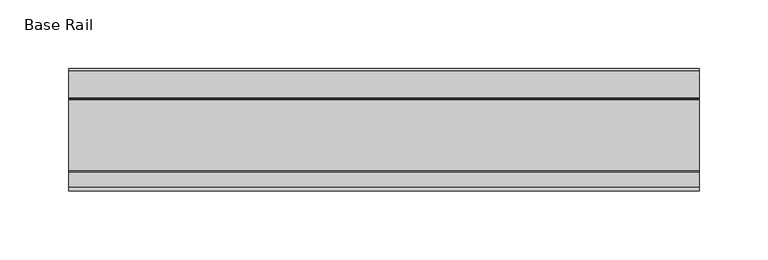
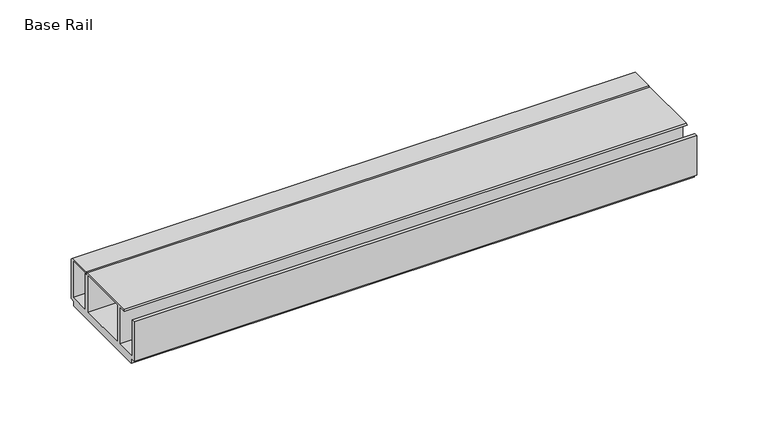
"""IFC4 building model written with IfcOpenShell, lengths in millimetres: furniture geometry, Base Rail."""

import ifcopenshell
import ifcopenshell.guid

model = None  # the IFC model being written
_history = None  # IfcOwnerHistory: only IFC2X3 demands one
_inside = {}  # id of a spatial element -> (the spatial element, [elements in it])
_under = {}  # id of a project, library or spatial element -> (it, [spatial elements below it])
_declared = {}  # id of a project -> (the project, [libraries it declares])
_typed = {}  # id of a type object -> (the type object, [elements of that type])
_made_of = {}  # id of a material, layer set ... -> (it, [elements and type objects made of it])


def new_model(schema):
    """Start an empty IFC model of exactly this schema.

    Asked for "IFC4X3", IfcOpenShell would pick the latest addendum, in which some entities
    have other attributes; the version numbers below select the first issue.
    IFC2X3 requires an IfcOwnerHistory on every rooted entity: one is made here for all.
    """
    global model, _history
    if schema == "IFC4X3":
        model = ifcopenshell.file(schema_version=(4, 3, 0, 0))
    else:
        model = ifcopenshell.file(schema=schema)
    _inside.clear()
    _under.clear()
    _declared.clear()
    _typed.clear()
    _made_of.clear()
    _history = None
    if model.schema == "IFC2X3":
        org = make("IfcOrganization", Name="unknown")
        user = make(
            "IfcPersonAndOrganization",
            ThePerson=make("IfcPerson", FamilyName="unknown"),
            TheOrganization=org,
        )
        app = make(
            "IfcApplication",
            ApplicationDeveloper=org,
            Version="unknown",
            ApplicationFullName="unknown",
            ApplicationIdentifier="unknown",
        )
        _history = make(
            "IfcOwnerHistory",
            OwningUser=user,
            OwningApplication=app,
            ChangeAction="ADDED",
            CreationDate=0,
        )
    return model


def make(cls, **values):
    """One entity of the class cls with the attributes given. An attribute that is None is left unset."""
    return model.create_entity(
        cls, **{name: value for name, value in values.items() if value is not None}
    )


def rooted(cls, **values):
    """An entity with a GlobalId (a new one), such as an element, a storey or a relation."""
    return make(cls, GlobalId=ifcopenshell.guid.new(), OwnerHistory=_history, **values)


def si_unit(unit_type, name, prefix=None):
    """IfcSIUnit, for example si_unit("LENGTHUNIT", "METRE", prefix="MILLI")."""
    return make("IfcSIUnit", UnitType=unit_type, Prefix=prefix, Name=name)


def assignment(units):
    """IfcUnitAssignment: the units of a project."""
    return None if units is None else make("IfcUnitAssignment", Units=units)


def point(xyz):
    """IfcCartesianPoint."""
    return None if xyz is None else make("IfcCartesianPoint", Coordinates=xyz)


def direction(xyz):
    """IfcDirection."""
    return None if xyz is None else make("IfcDirection", DirectionRatios=xyz)


def frame(location, z_axis=None, x_axis=None):
    """IfcAxis2Placement3D, a coordinate frame: its origin and axes. An axis left out is left unset."""
    return make(
        "IfcAxis2Placement3D",
        Location=point(location),
        Axis=direction(z_axis),
        RefDirection=direction(x_axis),
    )


def origin():
    """The frame at (0, 0, 0) with its axes left unset."""
    return frame((0.0, 0.0, 0.0))


def place(relative_to, where):
    """IfcLocalPlacement: puts the frame where relative to a parent placement (None: the world)."""
    return make(
        "IfcLocalPlacement", PlacementRelTo=relative_to, RelativePlacement=where
    )


def context(
    kind, dimensions, precision=None, world=None, true_north=None, identifier=None
):
    """IfcGeometricRepresentationContext, for example the 3D "Model" context."""
    return make(
        "IfcGeometricRepresentationContext",
        ContextIdentifier=identifier,
        ContextType=kind,
        CoordinateSpaceDimension=dimensions,
        Precision=precision,
        WorldCoordinateSystem=world,
        TrueNorth=true_north,
    )


def project(units=None, contexts=None):
    """IfcProject with its units and contexts."""
    return rooted(
        "IfcProject",
        Name="project",
        RepresentationContexts=contexts,
        UnitsInContext=assignment(units),
    )


def spatial(cls, under=None, at=None, **own):
    """A site, building, storey or space (cls), placed at a placement, below another one or the project."""
    s = rooted(cls, ObjectPlacement=at, **own)
    if under is not None:
        _under.setdefault(under.id(), (under, []))[1].append(s)
    return s


def polyline(points):
    """IfcPolyline through the points."""
    return make("IfcPolyline", Points=[point(p) for p in points])


def outline(outer, holes=None, kind="AREA"):
    """IfcArbitraryClosedProfileDef: a profile drawn as a closed curve; with holes, ...WithVoids."""
    if holes is None:
        return make("IfcArbitraryClosedProfileDef", ProfileType=kind, OuterCurve=outer)
    return make(
        "IfcArbitraryProfileDefWithVoids",
        ProfileType=kind,
        OuterCurve=outer,
        InnerCurves=holes,
    )


def extrude(swept, where, along, depth):
    """IfcExtrudedAreaSolid: the profile swept, set in the frame where, extruded along a direction by depth."""
    return make(
        "IfcExtrudedAreaSolid",
        SweptArea=swept,
        Position=where,
        ExtrudedDirection=direction(along),
        Depth=depth,
    )


def shape(context_of_items, identifier, shape_type, items):
    """IfcShapeRepresentation: the items that make up one representation, for example the "Body"."""
    return make(
        "IfcShapeRepresentation",
        ContextOfItems=context_of_items,
        RepresentationIdentifier=identifier,
        RepresentationType=shape_type,
        Items=items,
    )


def source(mapping_origin, context_of_items, identifier, shape_type, items):
    """IfcRepresentationMap: a shape defined once, which mapped items show again and again."""
    return make(
        "IfcRepresentationMap",
        MappingOrigin=mapping_origin,
        MappedRepresentation=shape(context_of_items, identifier, shape_type, items),
    )


def transform(
    local_origin,
    x_axis=None,
    y_axis=None,
    z_axis=None,
    scale=None,
    scale2=None,
    scale3=None,
    uniform=True,
):
    """IfcCartesianTransformationOperator3D, or its non-uniform kind. x_axis, y_axis, z_axis: its Axis1, 2, 3."""
    if uniform:
        return make(
            "IfcCartesianTransformationOperator3D",
            Axis1=direction(x_axis),
            Axis2=direction(y_axis),
            LocalOrigin=point(local_origin),
            Scale=scale,
            Axis3=direction(z_axis),
        )
    return make(
        "IfcCartesianTransformationOperator3DnonUniform",
        Axis1=direction(x_axis),
        Axis2=direction(y_axis),
        LocalOrigin=point(local_origin),
        Scale=scale,
        Axis3=direction(z_axis),
        Scale2=scale2,
        Scale3=scale3,
    )


def mapped(mapping_source, mapping_target):
    """IfcMappedItem: shows the shape of a source again, moved by a transform."""
    return make(
        "IfcMappedItem", MappingSource=mapping_source, MappingTarget=mapping_target
    )


def made_of(thing, what):
    """Note that an element or type object is made of a material, layer set ...; save() writes the relation."""
    if what is not None:
        _made_of.setdefault(what.id(), (what, []))[1].append(thing)
    return thing


def element(
    cls,
    number,
    at=None,
    inside=None,
    cuts=None,
    type_object=None,
    material=None,
    context=None,
    identifier="Body",
    shape_type=None,
    held_by="IfcProductDefinitionShape",
    body=None,
    shapes=None,
    **own,
):
    """One element of the class cls, such as IfcWall. Its Tag is "e" and its number.

    at: its placement. inside: the storey or other place that contains it. cuts: it is an
    opening in that element (IfcRelVoidsElement). A single representation is given by context,
    identifier, shape_type and body (its items); several are given by shapes. held_by: the class
    of the entity that holds the representations. save() writes the other relations.
    """
    e = rooted(cls, Tag="e%d" % number, ObjectPlacement=at, **own)
    if body is not None:
        shapes = [shape(context, identifier, shape_type, body)]
    if shapes is not None:
        e.Representation = make(held_by, Representations=shapes)
    if inside is not None:
        _inside.setdefault(inside.id(), (inside, []))[1].append(e)
    if cuts is not None:
        rooted(
            "IfcRelVoidsElement", RelatingBuildingElement=cuts, RelatedOpeningElement=e
        )
    if type_object is not None:
        _typed.setdefault(type_object.id(), (type_object, []))[1].append(e)
    return made_of(e, material)


def aggregate(whole, parts):
    """IfcRelAggregates: a whole, such as a stair, and the parts it consists of."""
    return rooted("IfcRelAggregates", RelatingObject=whole, RelatedObjects=parts)


def save(model, path):
    """Write the relations noted so far, then the file.

    IfcRelAggregates (storeys below a building ...), IfcRelContainedInSpatialStructure (elements
    in a storey), IfcRelDefinesByType, IfcRelAssociatesMaterial and IfcRelDeclares: one each for
    every whole, place, type object, material and project.
    """
    for whole, parts in _under.values():
        aggregate(whole, parts)
    for where, things in _inside.values():
        rooted(
            "IfcRelContainedInSpatialStructure",
            RelatedElements=things,
            RelatingStructure=where,
        )
    for kind, things in _typed.values():
        rooted("IfcRelDefinesByType", RelatedObjects=things, RelatingType=kind)
    for what, things in _made_of.values():
        rooted("IfcRelAssociatesMaterial", RelatedObjects=things, RelatingMaterial=what)
    for by, libraries in _declared.values():
        rooted("IfcRelDeclares", RelatingContext=by, RelatedDefinitions=libraries)
    model.write(path)


def base_rail_a9800ae9(model_context):
    return source(origin(), model_context, "Body", "SweptSolid", [
        extrude(outline(polyline([(-28.948195, 4.0000001), (-28.948195, 38.1), (-26.1481963, 38.1), (-26.1481963, 6.6000002), (-8.7481957, 6.6000002), (-8.7481957, 38.1), (-5.4481956, 38.1), (-5.4481956, 6.6000002), (36.4518057, 6.6000002), (36.4518057, 38.1), (39.7518058, 38.1), (39.7518058, 6.6000002), (57.1518064, 6.6000002), (57.1518064, 38.5424102), (-15.1141535, 38.5424102), (-13.9690637, 39.6875), (37.2171998, 39.6875), (38.1255324, 38.7791674), (39.033865, 39.6875), (58.0797005, 39.6875), (59.951805, 38.1), (59.951805, 4.0000001), (55.9518063, 4.0000001), (55.9518063, 0.0), (-24.9481962, 0.0), (-24.9481962, 4.0000001), (-28.948195, 4.0000001)])), frame((-198.6228469, 0.0, 0.0), z_axis=(1.0, 0.0, 0.0), x_axis=(0.0, 1.0, 0.0)), (0.0, 0.0, 1.0), 457.2),
    ])


if __name__ == "__main__":
    model = new_model("IFC4")
    model_context = context("Model", 3, world=origin())
    ifc_project = project(units=[si_unit("LENGTHUNIT", "METRE", prefix="MILLI")], contexts=[model_context])
    site = spatial("IfcSite", under=ifc_project)
    building = spatial("IfcBuilding", under=site)
    placement = place(None, origin())
    base_rail_shape = base_rail_a9800ae9(model_context)
    element("IfcFurniture", 1, ObjectType="Base Rail", at=placement, inside=building, context=model_context, shape_type="MappedRepresentation", body=[
        mapped(base_rail_shape, transform((0.0, 0.0, 0.0), x_axis=(1.0, 0.0, 0.0), y_axis=(0.0, 1.0, 0.0), z_axis=(0.0, 0.0, 1.0))),
    ])
    save(model, "model.ifc")
